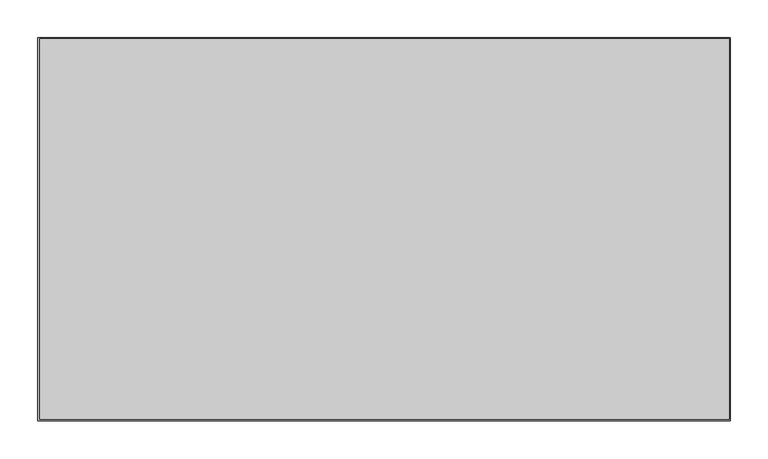
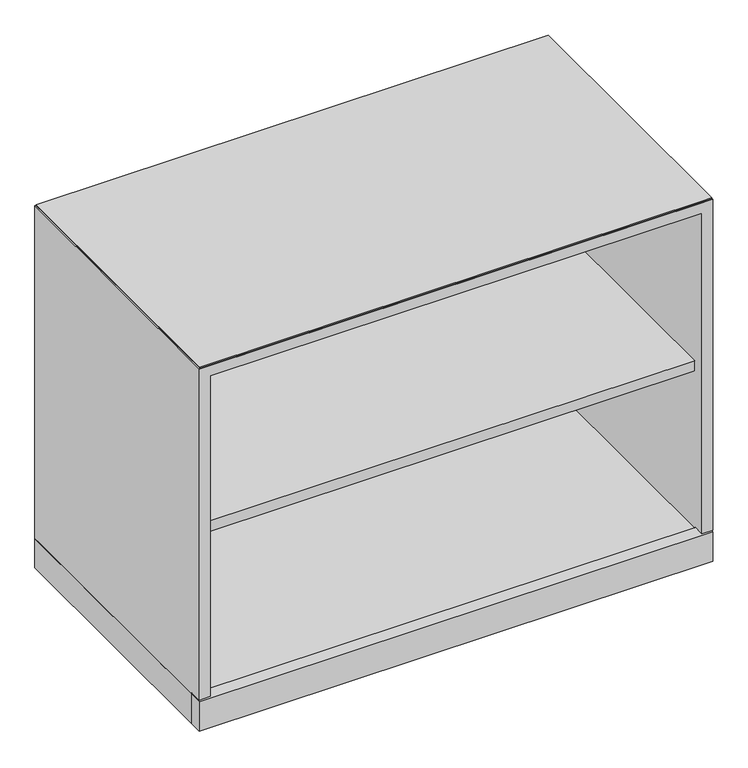
"""IFC4 building model written with IfcOpenShell, lengths in millimetres: furniture geometry."""

from ifc_helpers import new_model, si_unit, frame, origin, origin_with_axes, place, context, project, spatial, polyline, outline, extrude, faceted_brep, source, transform, mapped, element, save


def furniture_87ec383a(model_context):
    return source(origin(), model_context, "Body", "SolidModel", [
        extrude(outline(polyline([(912.114, -502.92), (3.8735, -502.92), (3.8735, -0.7874), (912.114, -0.7874), (912.114, -502.92)])), frame((0.0, 0.0, 682.625), z_axis=(0.0, 0.0, 1.0), x_axis=(1.0, 0.0, 0.0)), (0.0, 0.0, 1.0), 1.905),
        extrude(outline(polyline([(912.8125, -481.7618), (912.8125, -504.825), (1.5875, -504.825), (1.5875, -481.7618), (912.8125, -481.7618)])), frame((0.0, 0.0, 3.5814), z_axis=(0.0, 0.0, 1.0), x_axis=(1.0, 0.0, 0.0)), (0.0, 0.0, 1.0), 55.1688),
        extrude(outline(polyline([(46.1772, -26.1874), (61.8363, -35.2281856), (61.8363, -53.3097568), (46.1772, -62.3505424), (30.5181, -53.3097568), (30.5181, -35.2281856), (46.1772, -26.1874)])), origin_with_axes(), (0.0, 0.0, 1.0), 8.4328),
        extrude(outline(polyline([(46.1772, -478.6376), (30.5181, -469.5968144), (30.5181, -451.5152432), (46.1772, -442.4744576), (61.8363, -451.5152432), (61.8363, -469.5968144), (46.1772, -478.6376)])), origin_with_axes(), (0.0, 0.0, 1.0), 8.4328),
        extrude(outline(polyline([(868.2228, -26.1874), (883.8819, -35.2281856), (883.8819, -53.3097568), (868.2228, -62.3505424), (852.5637, -53.3097568), (852.5637, -35.2281856), (868.2228, -26.1874)])), origin_with_axes(), (0.0, 0.0, 1.0), 8.4328),
        extrude(outline(polyline([(868.2228, -478.6376), (852.5637, -469.5968144), (852.5637, -451.5152432), (868.2228, -442.4744576), (883.8819, -451.5152432), (883.8819, -469.5968144), (868.2228, -478.6376)])), origin_with_axes(), (0.0, 0.0, 1.0), 8.4328),
        extrude(outline(polyline([(893.5085, -482.346), (20.8915, -482.346), (20.8915, -22.225), (893.5085, -22.225), (893.5085, -482.346)])), frame((0.0, 0.0, 353.5934), z_axis=(0.0, 0.0, 1.0), x_axis=(1.0, 0.0, 0.0)), (0.0, 0.0, 1.0), 19.304),
        extrude(outline(polyline([(912.8125, 0.0), (912.8125, -481.7618), (1.5875, -481.7618), (1.5875, 0.0), (912.8125, 0.0)])), frame((0.0, 0.0, 3.5814), z_axis=(0.0, 0.0, 1.0), x_axis=(1.0, 0.0, 0.0)), (0.0, 0.0, 1.0), 55.1688),
        faceted_brep([(912.8125, -504.825, 682.625), (1.5875, -504.825, 682.625), (1.5875, -504.825, 61.9252), (20.8915, -504.825, 61.9252), (20.8915, -504.825, 663.321), (893.5085, -504.825, 663.321), (893.5085, -504.825, 61.9252), (912.8125, -504.825, 61.9252), (912.8125, 0.0, 682.625), (912.8125, 0.0, 58.7502), (1.5875, 0.0, 58.7502), (1.5875, 0.0, 682.625), (1.5875, -482.4645506, 58.7502), (1.5875, -482.4645506, 61.9252), (912.8125, -482.4645506, 58.7502), (893.5085, -482.4645506, 58.7502), (893.5085, -22.225, 58.7502), (20.8915, -22.225, 58.7502), (20.8915, -482.4645506, 58.7502), (912.8125, -482.4645506, 61.9252), (893.5085, -22.225, 663.321), (20.8915, -22.225, 663.321), (20.8915, -482.4645506, 61.9252), (893.5085, -482.4645506, 61.9252)], [[[0, 1, 2, 3, 4, 5, 6, 7]], [[8, 9, 10, 11]], [[1, 0, 8, 11]], [[11, 10, 12, 13, 2, 1]], [[10, 9, 14, 15, 16, 17, 18, 12]], [[9, 8, 0, 7, 19, 14]], [[20, 21, 17, 16]], [[21, 20, 5, 4]], [[21, 4, 3, 22, 18, 17]], [[5, 20, 16, 15, 23, 6]], [[22, 13, 12, 18]], [[19, 23, 15, 14]], [[13, 22, 3, 2]], [[23, 19, 7, 6]]]),
    ])


if __name__ == "__main__":
    model = new_model("IFC4")
    model_context = context("Model", 3, world=origin())
    ifc_project = project(units=[si_unit("LENGTHUNIT", "METRE", prefix="MILLI")], contexts=[model_context])
    site = spatial("IfcSite", under=ifc_project)
    building = spatial("IfcBuilding", under=site)
    placement = place(None, origin())
    furniture_shape = furniture_87ec383a(model_context)
    element("IfcFurniture", 1, at=placement, inside=building, context=model_context, shape_type="MappedRepresentation", body=[
        mapped(furniture_shape, transform((0.0, 0.0, 0.0), x_axis=(1.0, 0.0, 0.0), y_axis=(0.0, 1.0, 0.0), z_axis=(0.0, 0.0, 1.0))),
    ])
    save(model, "model.ifc")
